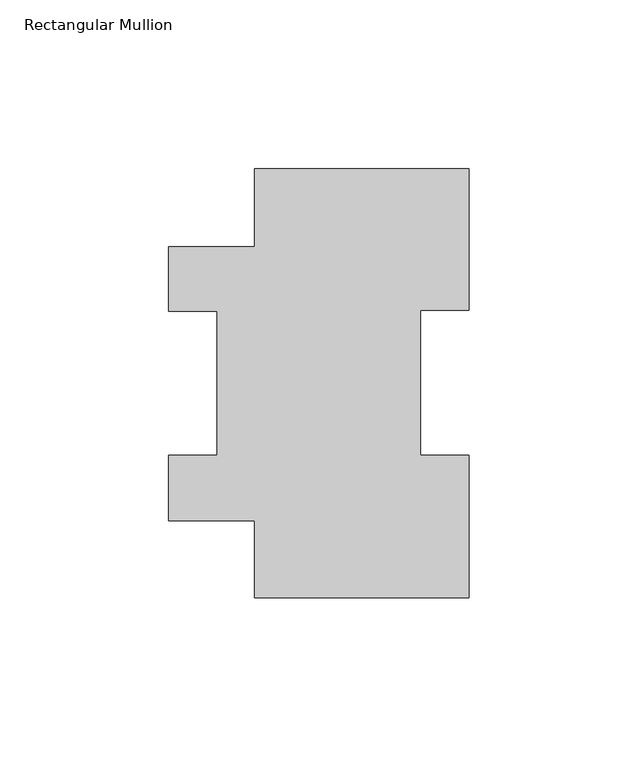
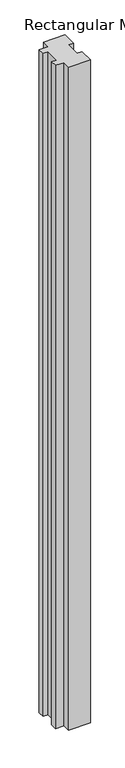
"""IFC4 building model written with IfcOpenShell, lengths in millimetres: member geometry, Rectangular Mullion."""

from ifc_helpers import new_model, si_unit, frame, origin, place, context, project, spatial, polyline, outline, extrude, source, transform, mapped, element, save


def rectangular_mullion_1b57d85a(model_context):
    return source(origin(), model_context, "Body", "SweptSolid", [
        extrude(outline(polyline([(-44.45, 103.9296055), (-19.05, 103.9296055), (-19.05, 126.9888875), (44.45, 126.9888875), (44.45, 85.1296875), (30.16504, 85.1296875), (30.16504, 42.2798875), (44.45, 42.2798875), (44.45, -0.0111125), (-19.05, -0.0111125), (-19.05, 22.7980875), (-44.45, 22.7980875), (-44.45, 42.2798875), (-30.16504, 42.2798875), (-30.16504, 84.8796055), (-44.45, 84.8796055), (-44.45, 103.9296055)])), frame((0.0, 0.0, -2044.4591858), z_axis=(0.0, 0.0, 1.0), x_axis=(1.0, 0.0, 0.0)), (0.0, 0.0, 1.0), 2044.4591858),
    ])


if __name__ == "__main__":
    model = new_model("IFC4")
    model_context = context("Model", 3, world=origin())
    ifc_project = project(units=[si_unit("LENGTHUNIT", "METRE", prefix="MILLI")], contexts=[model_context])
    site = spatial("IfcSite", under=ifc_project)
    building = spatial("IfcBuilding", under=site)
    placement = place(None, origin())
    rectangular_mullion_shape = rectangular_mullion_1b57d85a(model_context)
    element("IfcMember", 1, ObjectType="Rectangular Mullion", at=placement, inside=building, context=model_context, shape_type="MappedRepresentation", body=[
        mapped(rectangular_mullion_shape, transform((0.0, 0.0, 0.0), x_axis=(1.0, 0.0, 0.0), y_axis=(0.0, 1.0, 0.0), z_axis=(0.0, 0.0, 1.0))),
    ])
    save(model, "model.ifc")
